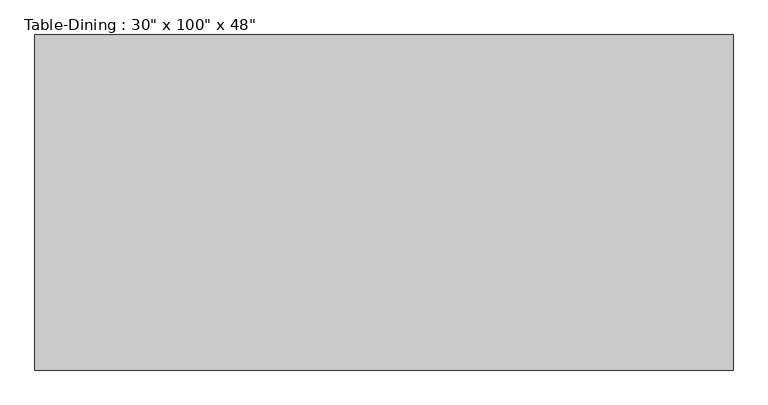
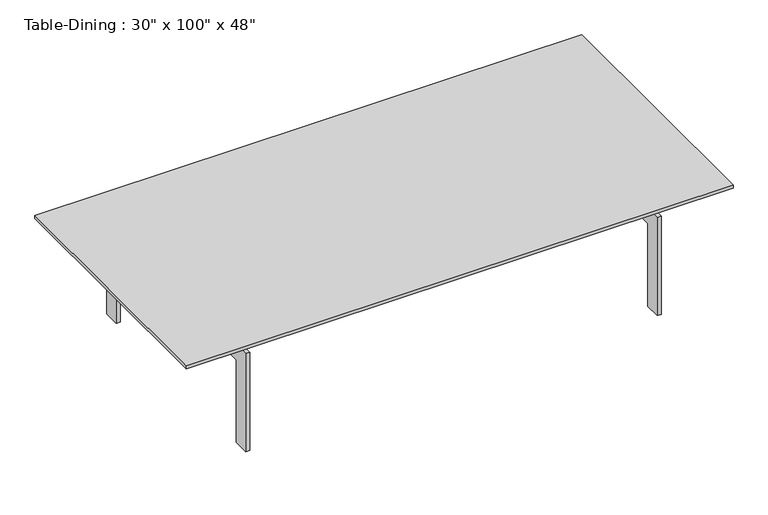
"""IFC4 building model written with IfcOpenShell, lengths in millimetres: furniture geometry."""

from ifc_helpers import new_model, si_unit, frame, origin, place, context, project, spatial, polyline, outline, extrude, source, transform, mapped, element, save


def furniture_8b79d283(model_context):
    return source(origin(), model_context, "Body", "SweptSolid", [
        extrude(outline(polyline([(1186.6657667, 297.7823857), (1186.6657667, 272.3823857), (-1150.1342333, 272.3823857), (-1150.1342333, 297.7823857), (1186.6657667, 297.7823857)])), frame((0.0, 0.0, 482.6), z_axis=(0.0, 0.0, 1.0), x_axis=(1.0, 0.0, 0.0)), (0.0, 0.0, 1.0), 63.5),
        extrude(outline(polyline([(1186.6657667, -82.5889222), (1186.6657667, -107.9889222), (-1150.1342333, -107.9889222), (-1150.1342333, -82.5889222), (1186.6657667, -82.5889222)])), frame((0.0, 0.0, 482.6), z_axis=(0.0, 0.0, 1.0), x_axis=(1.0, 0.0, 0.0)), (0.0, 0.0, 1.0), 63.5),
        extrude(outline(polyline([(654.0110778, 0.0), (577.8110778, 0.0), (577.8110778, 406.4), (-387.3889222, 406.4), (-387.3889222, 0.0), (-463.5889222, 0.0), (-463.5889222, 482.6), (654.0110778, 482.6), (654.0110778, 0.0)])), frame((964.4157667, 0.0, 0.0), z_axis=(1.0, 0.0, 0.0), x_axis=(0.0, 1.0, 0.0)), (0.0, 0.0, 1.0), 19.05),
        extrude(outline(polyline([(654.0110778, 482.6), (654.0110778, 0.0), (577.8110778, 0.0), (577.8110778, 406.4), (-387.3889222, 406.4), (-387.3889222, 0.0), (-463.5889222, 0.0), (-463.5889222, 482.6), (654.0110778, 482.6)])), frame((-946.9342333, 0.0, 0.0), z_axis=(1.0, 0.0, 0.0), x_axis=(0.0, 1.0, 0.0)), (0.0, 0.0, 1.0), 19.05),
        extrude(outline(polyline([(1288.2657667, 704.8110778), (1288.2657667, -514.3889222), (-1251.7342333, -514.3889222), (-1251.7342333, 704.8110778), (1288.2657667, 704.8110778)])), frame((0.0, 0.0, 546.1), z_axis=(0.0, 0.0, 1.0), x_axis=(1.0, 0.0, 0.0)), (0.0, 0.0, 1.0), 12.7),
    ])


if __name__ == "__main__":
    model = new_model("IFC4")
    model_context = context("Model", 3, world=origin())
    ifc_project = project(units=[si_unit("LENGTHUNIT", "METRE", prefix="MILLI")], contexts=[model_context])
    site = spatial("IfcSite", under=ifc_project)
    building = spatial("IfcBuilding", under=site)
    placement = place(None, origin())
    furniture_shape = furniture_8b79d283(model_context)
    element("IfcFurniture", 1, ObjectType="Table-Dining : 30\" x 100\" x 48\"", at=placement, inside=building, context=model_context, shape_type="MappedRepresentation", body=[
        mapped(furniture_shape, transform((0.0, 0.0, 0.0), x_axis=(1.0, 0.0, 0.0), y_axis=(0.0, 1.0, 0.0), z_axis=(0.0, 0.0, 1.0))),
    ])
    save(model, "model.ifc")
